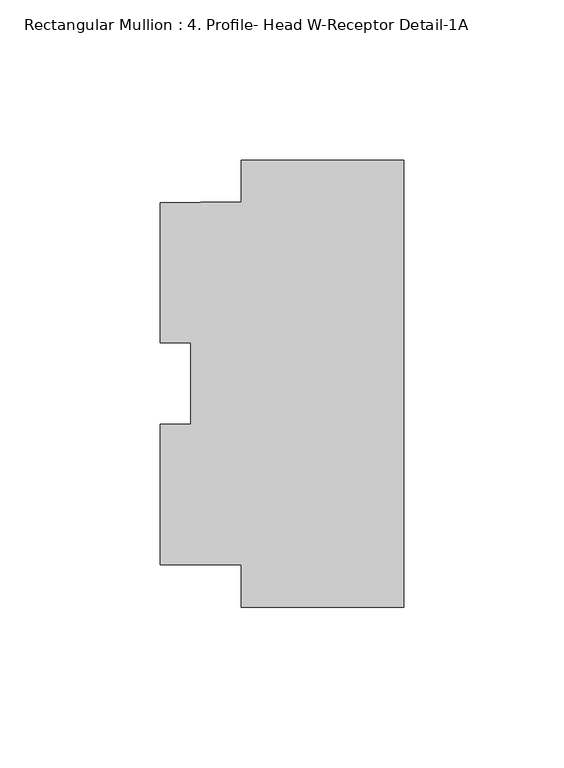
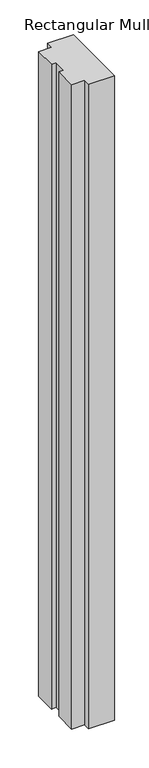
"""IFC4 building model written with IfcOpenShell, lengths in millimetres: member geometry, Rectangular Mullion : 4. Profile- Head W-Receptor Detail-1A."""

from ifc_helpers import new_model, si_unit, frame, origin, place, context, project, spatial, polyline, outline, extrude, source, transform, mapped, element, save


def rectangular_mullion_4_profile_head_w_receptor_detail_1a_a5d83240(model_context):
    return source(origin(), model_context, "Body", "SweptSolid", [
        extrude(outline(polyline([(0.0, -69.045033), (-50.8, -69.045033), (-50.8, -55.735433), (-76.2, -55.735433), (-76.2, -11.9500992), (-66.675, -11.9500992), (-66.675, 13.5375992), (-76.2, 13.5375992), (-76.2, 57.345367), (-50.7746, 57.6802054), (-50.7746, 70.654967), (0.0, 70.654967), (0.0, -69.045033)])), frame((0.0, 0.0, -1343.0637407), z_axis=(0.0, 0.0, 1.0), x_axis=(1.0, 0.0, 0.0)), (0.0, 0.0, 1.0), 1343.0637407),
    ])


if __name__ == "__main__":
    model = new_model("IFC4")
    model_context = context("Model", 3, world=origin())
    ifc_project = project(units=[si_unit("LENGTHUNIT", "METRE", prefix="MILLI")], contexts=[model_context])
    site = spatial("IfcSite", under=ifc_project)
    building = spatial("IfcBuilding", under=site)
    placement = place(None, origin())
    rectangular_mullion_4_profile_head_w_receptor_detail_1a_shape = rectangular_mullion_4_profile_head_w_receptor_detail_1a_a5d83240(model_context)
    element("IfcMember", 1, ObjectType="Rectangular Mullion : 4. Profile- Head W-Receptor Detail-1A", at=placement, inside=building, context=model_context, shape_type="MappedRepresentation", body=[
        mapped(rectangular_mullion_4_profile_head_w_receptor_detail_1a_shape, transform((0.0, 0.0, 0.0), x_axis=(1.0, 0.0, 0.0), y_axis=(0.0, 1.0, 0.0), z_axis=(0.0, 0.0, 1.0))),
    ])
    save(model, "model.ifc")
